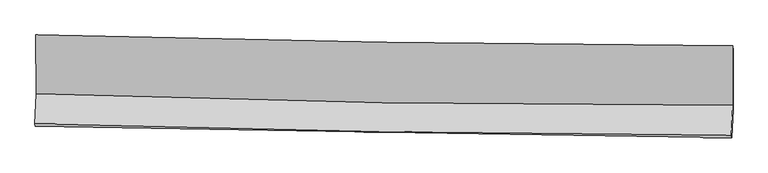
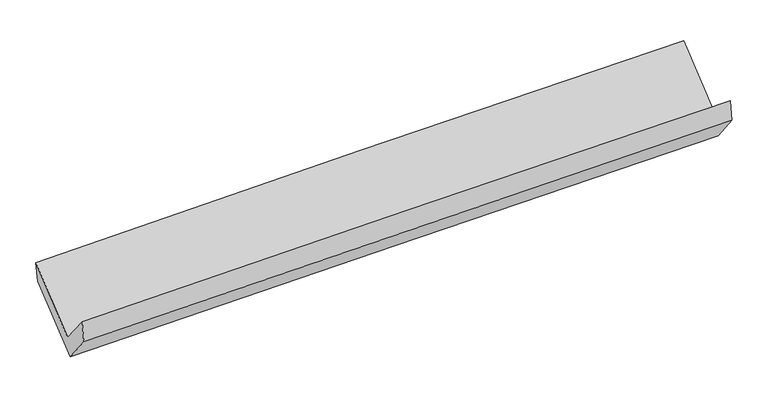
"""IFC4 building model written with IfcOpenShell, lengths in millimetres: proxy geometry."""

from ifc_helpers import new_model, si_unit, frame, origin, place, context, project, spatial, source, transform, mapped, element, save
from ifc_brep_helpers import plane_surface, spline_curve, spline_surface, advanced_brep


def generic_models_dacbb4c5(model_context):
    return source(origin(), model_context, "Body", "AdvancedBrep", [
        advanced_brep(
        [(-3022.6833871, -1156.5789308, 2158.6628129), (-3021.1233181, -1667.9958843, 1730.6589165), (3011.3350319, -1765.3332334, 1875.3123689), (3010.5016968, -1250.8205564, 2308.853247), (-3032.0946062, -1926.2543859, 2041.4770211), (3000.2844181, -2025.4844078, 2187.8016102), (-3028.2698506, -1947.1921549, 1855.4197536), (3003.9503777, -2045.7668177, 2002.3250635), (-3017.9435856, -1709.253633, 1559.2786978), (3014.4765803, -1803.3095717, 1700.5599585), (-3019.1081924, -1176.8029257, 1984.2887599), (3014.1343762, -1290.0600731, 2110.3685034)],
        [
            (0, 1),
            (1, 2, spline_curve(3, [(-3021.1233181, -1667.9958843, 1730.6589165), (-2016.500104921, -1702.678418567, 1778.498893463), (-1011.452261864, -1728.131061547, 1814.473348364), (999.367293747, -1760.574542765, 1862.688206487), (2005.138900985, -1767.567682779, 1874.931569295), (3011.3350319, -1765.3332334, 1875.3123689)], [4, 2, 4], [0.0, 9.902043059776984, 19.802851266834672])),
            (2, 3),
            (3, 0, spline_curve(3, [(3010.5016968, -1250.8205564, 2308.853247), (2004.492764756, -1245.302203655, 2300.371154973), (998.754209542, -1234.690366022, 2283.61553562), (-1012.307552763, -1203.277761172, 2233.554121685), (-2017.630691947, -1182.47572388, 2200.246262842), (-3022.6833871, -1156.5789308, 2158.6628129)], [4, 2, 4], [0.0, 9.900808207057688, 19.802851266834672])),
            (1, 4),
            (4, 5, spline_curve(3, [(-3032.0946062, -1926.2543859, 2041.4770211), (-2027.190482465, -1954.423348612, 2081.191851295), (-1022.008804235, -1976.777151428, 2113.243265024), (988.784273369, -2009.85237529, 2162.016216625), (1994.395603087, -2020.57524623, 2178.739666377), (3000.2844181, -2025.4844078, 2187.8016102)], [4, 2, 4], [0.0, 9.901366657451378, 19.80149854653547])),
            (5, 2),
            (4, 6),
            (6, 7, spline_curve(3, [(-3028.2698506, -1947.1921549, 1855.4197536), (-2022.943325631, -1964.703884232, 1882.33737758), (-1017.56369445, -1981.674782834, 1908.038986278), (993.176394688, -2014.532869024, 1957.007119601), (1998.536839975, -2030.420191322, 1980.273947618), (3003.9503777, -2045.7668177, 2002.3250635)], [4, 2, 4], [0.0, 9.900519311711612, 19.799803960725768])),
            (7, 5),
            (6, 8),
            (8, 9, spline_curve(3, [(-3017.9435856, -1709.253633, 1559.2786978), (-2012.648974131, -1727.516913146, 1587.131712486), (-1007.268635071, -1744.48695643, 1612.832258346), (1003.538107953, -1775.838613365, 1659.925475047), (2008.964491244, -1790.220549982, 1681.318682773), (3014.4765803, -1803.3095717, 1700.5599585)], [4, 2, 4], [0.0, 9.900257092915082, 19.799279555833188])),
            (9, 7),
            (8, 10),
            (10, 11, spline_curve(3, [(-3019.1081924, -1176.8029257, 1984.2887599), (-2013.648434701, -1202.039406345, 2006.630389504), (-1008.116985814, -1224.096132707, 2028.3084633), (1002.963888402, -1261.847722205, 2070.334879246), (2008.513295714, -1277.543378208, 2090.683386234), (3014.1343762, -1290.0600731, 2110.3685034)], [4, 2, 4], [0.0, 9.900924239469774, 19.80061376574482])),
            (11, 9),
            (10, 0),
            (3, 11),
        ],
        [
            spline_surface(3, 3, [[(-3022.6833871, -1156.5789308, 2158.6628129), (-2017.630691901, -1182.475723921, 2200.246262709), (-1012.307552659, -1203.277761303, 2233.554121595), (998.754209439, -1234.690365891, 2283.615535709), (2004.492764798, -1245.302203687, 2300.371154861), (3010.5016968, -1250.8205564, 2308.853247)], [(-3022.163364076, -1327.051248636, 2015.994847432), (-2017.253829559, -1355.876622116, 2059.663806334), (-1012.022455767, -1378.228861411, 2093.860530511), (998.958570927, -1409.985091505, 2143.306425991), (2004.708143515, -1419.390696658, 2158.557959656), (3010.779475159, -1422.324782047, 2164.33962095)], [(-3021.643341124, -1497.523566464, 1873.326881968), (-2016.876967289, -1529.277520304, 1919.081349961), (-1011.737358893, -1553.179961496, 1954.166939404), (999.162932397, -1585.279817095, 2002.997316249), (2004.923522254, -1593.479189688, 2016.744764501), (3011.057253541, -1593.829007753, 2019.82599495)], [(-3021.1233181, -1667.9958843, 1730.6589165), (-2016.500104947, -1702.678418499, 1778.498893586), (-1011.452262002, -1728.131061604, 1814.47334832), (999.367293885, -1760.574542708, 1862.68820653), (2005.138900971, -1767.567682659, 1874.931569297), (3011.3350319, -1765.3332334, 1875.3123689)]], [4, 4], [4, 2, 4], [0.0, 2.206754688688919], [0.0, 9.902043059776984, 19.802851266834672]),
            spline_surface(3, 3, [[(-3021.1233181, -1667.9958843, 1730.6589165), (-2016.500104947, -1702.678418499, 1778.498893586), (-1011.452262002, -1728.131061604, 1814.47334832), (999.367293885, -1760.574542708, 1862.68820653), (2005.138900971, -1767.567682659, 1874.931569297), (3011.3350319, -1765.3332334, 1875.3123689)], [(-3024.780414135, -1754.082051516, 1834.264951359), (-2020.063564067, -1786.593395225, 1879.3965462), (-1014.97110935, -1811.013091581, 1914.063320509), (995.839620344, -1843.667153542, 1962.464209905), (2001.557801694, -1851.903537222, 1976.200934951), (3007.65149397, -1852.050291559, 1979.47544932)], [(-3028.437510165, -1840.168218684, 1937.870986241), (-2023.627023181, -1870.508371902, 1980.294198837), (-1018.48995674, -1893.895121544, 2013.653292752), (992.311946763, -1926.759764362, 2062.240213335), (1997.976702408, -1936.239391708, 2077.470300644), (3003.96795603, -1938.767349641, 2083.63852978)], [(-3032.0946062, -1926.2543859, 2041.4770211), (-2027.190482301, -1954.423348627, 2081.191851451), (-1022.008804089, -1976.777151521, 2113.24326494), (988.784273223, -2009.852375196, 2162.016216709), (1994.395603131, -2020.575246272, 2178.739666298), (3000.2844181, -2025.4844078, 2187.8016102)]], [4, 4], [4, 2, 4], [0.0, 1.2771025731491457], [0.0, 9.901366657451378, 19.80149854653547]),
            spline_surface(3, 3, [[(-3032.0946062, -1926.2543859, 2041.4770211), (-2027.190482301, -1954.423348627, 2081.191851451), (-1022.008804089, -1976.777151521, 2113.24326494), (988.784273223, -2009.852375196, 2162.016216709), (1994.395603131, -2020.575246272, 2178.739666298), (3000.2844181, -2025.4844078, 2187.8016102)], [(-3030.819687678, -1933.233642228, 1979.457931917), (-2025.774763393, -1957.85019387, 2014.907026814), (-1020.527100924, -1978.40969529, 2044.841838724), (990.248313737, -2011.412539749, 2093.67985103), (1995.776015398, -2023.856894615, 2112.584426745), (3001.506404648, -2032.245211074, 2125.976094659)], [(-3029.544769122, -1940.212898572, 1917.438842783), (-2024.359044449, -1961.277039129, 1948.622202223), (-1019.045397725, -1980.042239146, 1976.440412466), (991.712354285, -2012.972704391, 2025.343485309), (1997.156427622, -2027.138543035, 2046.429187115), (3002.728391152, -2039.006014426, 2064.150579041)], [(-3028.2698506, -1947.1921549, 1855.4197536), (-2022.94332554, -1964.703884371, 1882.337377586), (-1017.563694561, -1981.674782915, 1908.038986249), (993.176394799, -2014.532868943, 1957.007119629), (1998.536839889, -2030.420191378, 1980.273947562), (3003.9503777, -2045.7668177, 2002.3250635)]], [4, 4], [4, 2, 4], [0.0, 0.6732617440212909], [0.0, 9.900519311711612, 19.799803960725768]),
            spline_surface(3, 3, [[(-3028.2698506, -1947.1921549, 1855.4197536), (-2022.94332554, -1964.703884371, 1882.337377586), (-1017.563694561, -1981.674782915, 1908.038986249), (993.176394799, -2014.532868943, 1957.007119629), (1998.536839889, -2030.420191378, 1980.273947562), (3003.9503777, -2045.7668177, 2002.3250635)], [(-3024.827762275, -1867.879314261, 1756.706068332), (-2019.511875025, -1885.641560667, 1783.935489259), (-1014.132008105, -1902.612174099, 1809.636743598), (996.630299253, -1934.968117131, 1857.979904769), (2002.012723687, -1950.353644228, 1880.622192667), (3007.459111882, -1964.947735717, 1901.736695156)], [(-3021.385673925, -1788.566473639, 1657.992383068), (-2016.080424485, -1806.57923698, 1685.533600935), (-1010.700321691, -1823.549565194, 1711.234500971), (1000.084203664, -1855.403365228, 1758.952689933), (2005.488607539, -1870.287097028, 1780.970437805), (3010.967846118, -1884.128653683, 1801.148326844)], [(-3017.9435856, -1709.253633, 1559.2786978), (-2012.64897397, -1727.516913275, 1587.131712609), (-1007.268635235, -1744.486956379, 1612.83225832), (1003.538108117, -1775.838613415, 1659.925475073), (2008.964491337, -1790.220549877, 1681.318682911), (3014.4765803, -1803.3095717, 1700.5599585)]], [4, 4], [4, 2, 4], [0.0, 1.2468222414024623], [0.0, 9.900257092915082, 19.799279555833188]),
            spline_surface(3, 3, [[(-3017.9435856, -1709.253633, 1559.2786978), (-2012.64897397, -1727.516913275, 1587.131712609), (-1007.268635235, -1744.486956379, 1612.83225832), (1003.538108117, -1775.838613415, 1659.925475073), (2008.964491337, -1790.220549877, 1681.318682911), (3014.4765803, -1803.3095717, 1700.5599585)], [(-3018.331787845, -1531.770063902, 1700.9487185), (-2012.982127483, -1552.357744335, 1726.964604916), (-1007.551418731, -1571.023348476, 1751.32432668), (1003.346701529, -1604.508316311, 1796.728609747), (2008.814092806, -1619.328159368, 1817.773584067), (3014.362512277, -1632.226405494, 1837.162806806)], [(-3018.719990155, -1354.286494798, 1842.6187392), (-2013.315281061, -1377.19857539, 1866.797497224), (-1007.834202248, -1397.559740643, 1889.816395066), (1003.155294919, -1433.178019277, 1933.531744445), (2008.663694243, -1448.435768876, 1954.228485205), (3014.248444223, -1461.143239306, 1973.765655094)], [(-3019.1081924, -1176.8029257, 1984.2887599), (-2013.648434574, -1202.03940645, 2006.630389532), (-1008.116985743, -1224.096132739, 2028.308463427), (1002.963888331, -1261.847722173, 2070.334879118), (2008.513295711, -1277.543378366, 2090.683386361), (3014.1343762, -1290.0600731, 2110.3685034)]], [4, 4], [4, 2, 4], [0.0, 2.171334407858745], [0.0, 9.900924239469774, 19.80061376574482]),
            spline_surface(3, 3, [[(-3019.1081924, -1176.8029257, 1984.2887599), (-2013.648434574, -1202.03940645, 2006.630389532), (-1008.116985743, -1224.096132739, 2028.308463427), (1002.963888331, -1261.847722173, 2070.334879118), (2008.513295711, -1277.543378366, 2090.683386361), (3014.1343762, -1290.0600731, 2110.3685034)], [(-3020.299923991, -1170.061594057, 2042.413444259), (-2014.975853707, -1195.518178931, 2071.16901395), (-1009.513841412, -1217.156675604, 2096.72368283), (1001.560662004, -1252.79527009, 2141.428431329), (2007.173118737, -1266.796320149, 2160.579309203), (3012.923483064, -1276.980234209, 2176.530084609)], [(-3021.491655509, -1163.320262443, 2100.538128541), (-2016.303272768, -1188.99695144, 2135.707638291), (-1010.910696991, -1210.217218438, 2165.138902192), (1000.157435766, -1243.742817975, 2212.521983499), (2005.832941772, -1256.049261904, 2230.475232018), (3011.712589936, -1263.900395291, 2242.691665791)], [(-3022.6833871, -1156.5789308, 2158.6628129), (-2017.630691901, -1182.475723921, 2200.246262709), (-1012.307552659, -1203.277761303, 2233.554121595), (998.754209439, -1234.690365891, 2283.615535709), (2004.492764798, -1245.302203687, 2300.371154861), (3010.5016968, -1250.8205564, 2308.853247)]], [4, 4], [4, 2, 4], [0.0, 0.6911905038885752], [0.0, 9.90185926243075, 19.802483695062996]),
            plane_surface(frame((3009.1137468, -1696.7957767, 2030.8701253), z_axis=(0.999630310876543, -0.01655473363412439, 0.02156808686854601), x_axis=(-0.0005210280451490848, 0.7814558855817579, 0.6239602771165859))),
            plane_surface(frame((-3023.5371567, -1597.3463191, 1888.2976603), z_axis=(-0.9996291500494531, 0.015619293161552032, -0.022306950767451417), x_axis=(0.020362275557383833, -0.11518437003941057, -0.993135408004744))),
        ],
        [
            (0, [[1, 2, 3, 4]]),
            (1, [[5, 6, 7, -2]]),
            (2, [[8, 9, 10, -6]]),
            (3, [[11, 12, 13, -9]]),
            (4, [[14, 15, 16, -12]]),
            (5, [[17, -4, 18, -15]]),
            (6, [[-16, -18, -3, -7, -10, -13]]),
            (7, [[-17, -14, -11, -8, -5, -1]]),
        ],
    ),
    ])


if __name__ == "__main__":
    model = new_model("IFC4")
    model_context = context("Model", 3, world=origin())
    ifc_project = project(units=[si_unit("LENGTHUNIT", "METRE", prefix="MILLI")], contexts=[model_context])
    site = spatial("IfcSite", under=ifc_project)
    building = spatial("IfcBuilding", under=site)
    placement = place(None, origin())
    generic_models_shape = generic_models_dacbb4c5(model_context)
    element("IfcBuildingElementProxy", 1, Name="Generic Models", at=placement, inside=building, context=model_context, shape_type="MappedRepresentation", body=[
        mapped(generic_models_shape, transform((0.0, 0.0, 0.0), x_axis=(1.0, 0.0, 0.0), y_axis=(0.0, 1.0, 0.0), z_axis=(0.0, 0.0, 1.0))),
    ])
    save(model, "model.ifc")
